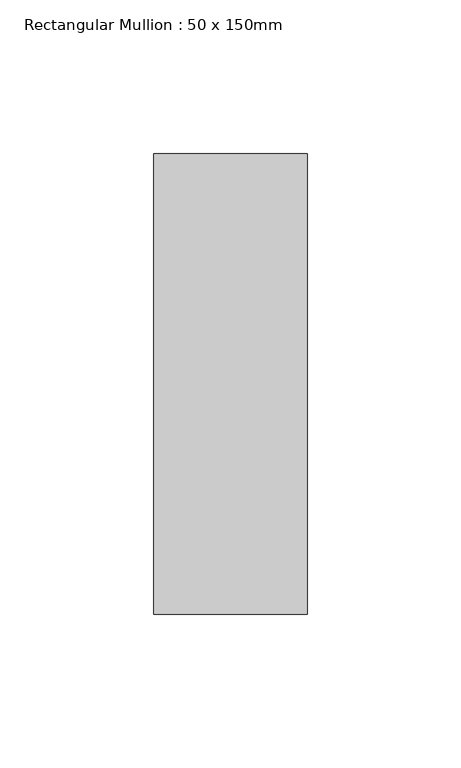
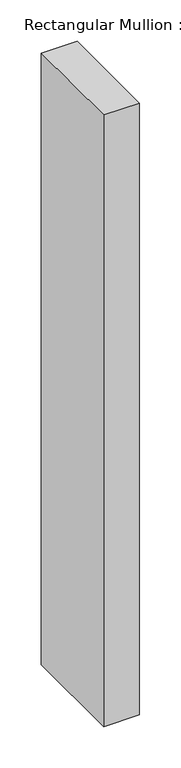
"""IFC4 building model written with IfcOpenShell, lengths in millimetres: member geometry, Rectangular Mullion : 50 x 150mm."""

from ifc_helpers import new_model, si_unit, frame, origin, place, context, project, spatial, polyline, outline, extrude, source, transform, mapped, element, save


def rectangular_mullion_50_x_150mm_60b009ee(model_context):
    return source(origin(), model_context, "Body", "SweptSolid", [
        extrude(outline(polyline([(0.0, 75.0), (0.0, -75.0), (-50.0, -75.0), (-50.0, 75.0), (0.0, 75.0)])), frame((0.0, 0.0, -901.6666667), z_axis=(0.0, 0.0, 1.0), x_axis=(1.0, 0.0, 0.0)), (0.0, 0.0, 1.0), 901.6666667),
    ])


if __name__ == "__main__":
    model = new_model("IFC4")
    model_context = context("Model", 3, world=origin())
    ifc_project = project(units=[si_unit("LENGTHUNIT", "METRE", prefix="MILLI")], contexts=[model_context])
    site = spatial("IfcSite", under=ifc_project)
    building = spatial("IfcBuilding", under=site)
    placement = place(None, origin())
    rectangular_mullion_50_x_150mm_shape = rectangular_mullion_50_x_150mm_60b009ee(model_context)
    element("IfcMember", 1, ObjectType="Rectangular Mullion : 50 x 150mm", at=placement, inside=building, context=model_context, shape_type="MappedRepresentation", body=[
        mapped(rectangular_mullion_50_x_150mm_shape, transform((0.0, 0.0, 0.0), x_axis=(1.0, 0.0, 0.0), y_axis=(0.0, 1.0, 0.0), z_axis=(0.0, 0.0, 1.0))),
    ])
    save(model, "model.ifc")
